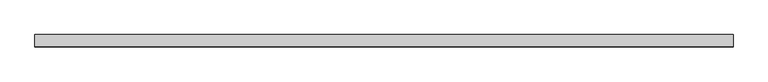
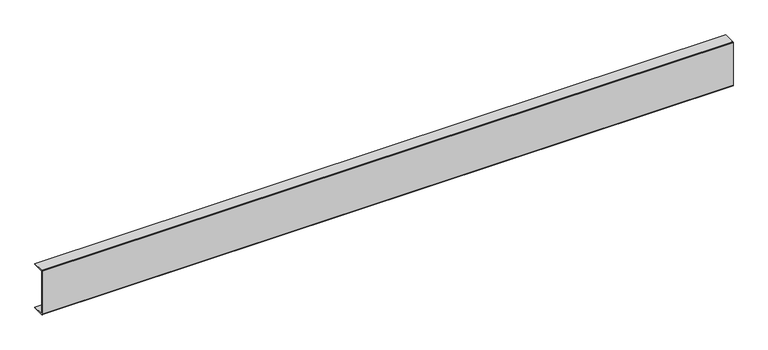
"""IFC4 building model written with IfcOpenShell, lengths in millimetres: proxy geometry."""

from ifc_helpers import new_model, si_unit, point, frame, frame_2d, origin, place, context, project, spatial, polyline, circle_curve, trimmed, segment, composite_curve, outline, extrude, source, transform, mapped, element, save


def generic_models_4f3a6d2e(model_context):
    return source(origin(), model_context, "Body", "SweptSolid", [
        extrude(outline(composite_curve([segment(polyline([(2.0, 151.0), (40.0, 151.0), (40.0, 149.0), (2.0, 149.0), (2.0, 2.0), (40.0, 2.0), (40.0, 0.0), (2.0, 0.0)]), True, "CONTINUOUS"), segment(trimmed(circle_curve(frame_2d((2.0, 2.0)), 2.0), [point((2.0, 0.0))], [point((0.0, 2.0))], False, "CARTESIAN"), True, "CONTINUOUS"), segment(polyline([(0.0, 2.0), (0.0, 149.0)]), True, "CONTINUOUS"), segment(trimmed(circle_curve(frame_2d((2.0, 149.0)), 2.0), [point((0.0, 149.0))], [point((2.0, 151.0))], False, "CARTESIAN"), True, "CONTINUOUS")], self_intersect=False)), frame((0.0, 0.0, 0.0), z_axis=(1.0, 0.0, 0.0), x_axis=(0.0, 1.0, 0.0)), (0.0, 0.0, 1.0), 2241.6366237),
    ])


if __name__ == "__main__":
    model = new_model("IFC4")
    model_context = context("Model", 3, world=origin())
    ifc_project = project(units=[si_unit("LENGTHUNIT", "METRE", prefix="MILLI")], contexts=[model_context])
    site = spatial("IfcSite", under=ifc_project)
    building = spatial("IfcBuilding", under=site)
    placement = place(None, origin())
    generic_models_shape = generic_models_4f3a6d2e(model_context)
    element("IfcBuildingElementProxy", 1, Name="Generic Models", at=placement, inside=building, context=model_context, shape_type="MappedRepresentation", body=[
        mapped(generic_models_shape, transform((0.0, 0.0, 0.0), x_axis=(1.0, 0.0, 0.0), y_axis=(0.0, 1.0, 0.0), z_axis=(0.0, 0.0, 1.0))),
    ])
    save(model, "model.ifc")
